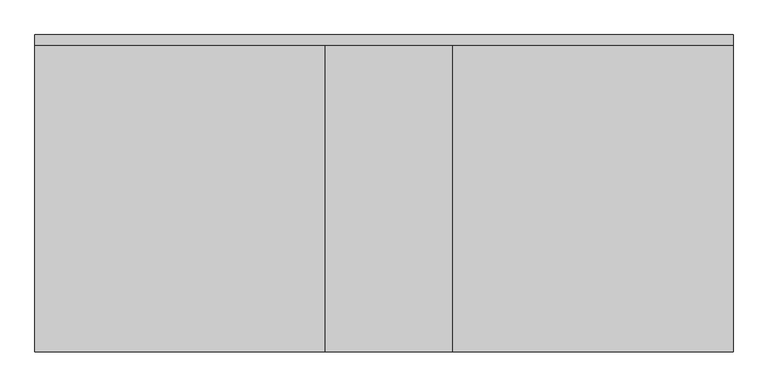
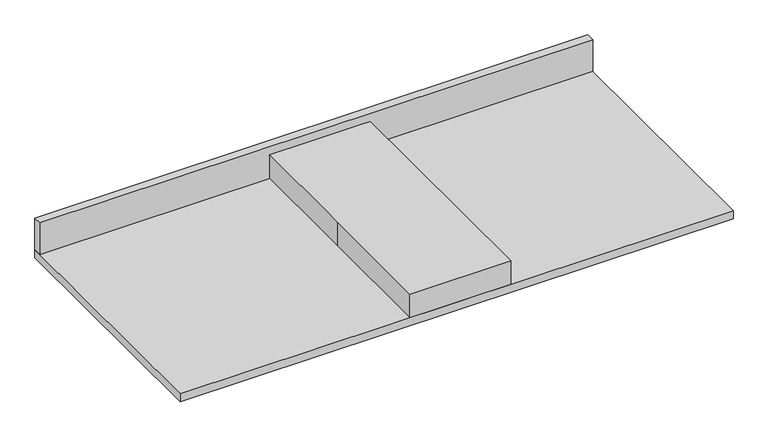
"""IFC4 building model written with IfcOpenShell, lengths in millimetres: proxy geometry."""

from ifc_helpers import new_model, si_unit, frame, origin, origin_with_axes, place, context, project, spatial, polyline, outline, extrude, source, transform, mapped, element, save


def specialty_equipment_aaaa1240(model_context):
    return source(origin(), model_context, "Body", "SweptSolid", [
        extrude(outline(polyline([(-849.3125, 355.6), (-849.3125, 381.0), (827.0875, 381.0), (827.0875, 355.6), (-849.3125, 355.6)])), frame((0.0, 0.0, 25.4), z_axis=(0.0, 0.0, 1.0), x_axis=(1.0, 0.0, 0.0)), (0.0, 0.0, 1.0), 101.6),
        extrude(outline(polyline([(827.0875, 381.0), (827.0875, -381.0), (-849.3125, -381.0), (-849.3125, 381.0), (827.0875, 381.0)])), origin_with_axes(), (0.0, 0.0, 1.0), 25.4),
        extrude(outline(polyline([(-152.4, 381.0), (152.4, 381.0), (152.4, -381.0), (-152.4, -381.0), (-152.4, 0.0), (-152.4, 381.0)])), origin_with_axes(), (0.0, 0.0, 1.0), 101.6),
    ])


if __name__ == "__main__":
    model = new_model("IFC4")
    model_context = context("Model", 3, world=origin())
    ifc_project = project(units=[si_unit("LENGTHUNIT", "METRE", prefix="MILLI")], contexts=[model_context])
    site = spatial("IfcSite", under=ifc_project)
    building = spatial("IfcBuilding", under=site)
    placement = place(None, origin())
    specialty_equipment_shape = specialty_equipment_aaaa1240(model_context)
    element("IfcBuildingElementProxy", 1, Name="Specialty Equipment", at=placement, inside=building, context=model_context, shape_type="MappedRepresentation", body=[
        mapped(specialty_equipment_shape, transform((0.0, 0.0, 0.0), x_axis=(1.0, 0.0, 0.0), y_axis=(0.0, 1.0, 0.0), z_axis=(0.0, 0.0, 1.0))),
    ])
    save(model, "model.ifc")
